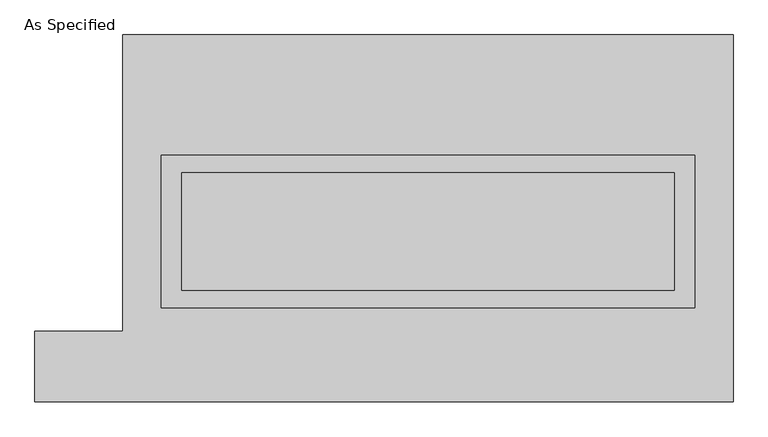
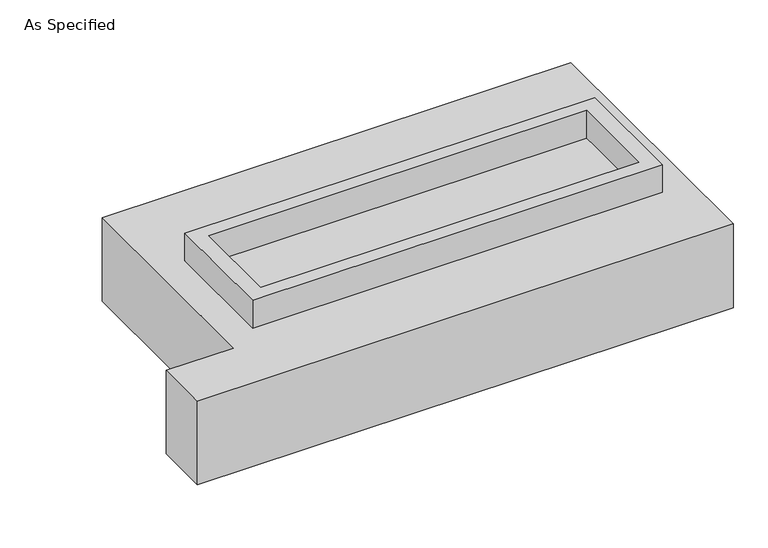
"""IFC4 building model written with IfcOpenShell, lengths in millimetres: proxy geometry, As Specified."""

import ifcopenshell
import ifcopenshell.guid

model = None  # the IFC model being written
_history = None  # IfcOwnerHistory: only IFC2X3 demands one
_inside = {}  # id of a spatial element -> (the spatial element, [elements in it])
_under = {}  # id of a project, library or spatial element -> (it, [spatial elements below it])
_declared = {}  # id of a project -> (the project, [libraries it declares])
_typed = {}  # id of a type object -> (the type object, [elements of that type])
_made_of = {}  # id of a material, layer set ... -> (it, [elements and type objects made of it])


def new_model(schema):
    """Start an empty IFC model of exactly this schema.

    Asked for "IFC4X3", IfcOpenShell would pick the latest addendum, in which some entities
    have other attributes; the version numbers below select the first issue.
    IFC2X3 requires an IfcOwnerHistory on every rooted entity: one is made here for all.
    """
    global model, _history
    if schema == "IFC4X3":
        model = ifcopenshell.file(schema_version=(4, 3, 0, 0))
    else:
        model = ifcopenshell.file(schema=schema)
    _inside.clear()
    _under.clear()
    _declared.clear()
    _typed.clear()
    _made_of.clear()
    _history = None
    if model.schema == "IFC2X3":
        org = make("IfcOrganization", Name="unknown")
        user = make(
            "IfcPersonAndOrganization",
            ThePerson=make("IfcPerson", FamilyName="unknown"),
            TheOrganization=org,
        )
        app = make(
            "IfcApplication",
            ApplicationDeveloper=org,
            Version="unknown",
            ApplicationFullName="unknown",
            ApplicationIdentifier="unknown",
        )
        _history = make(
            "IfcOwnerHistory",
            OwningUser=user,
            OwningApplication=app,
            ChangeAction="ADDED",
            CreationDate=0,
        )
    return model


def make(cls, **values):
    """One entity of the class cls with the attributes given. An attribute that is None is left unset."""
    return model.create_entity(
        cls, **{name: value for name, value in values.items() if value is not None}
    )


def rooted(cls, **values):
    """An entity with a GlobalId (a new one), such as an element, a storey or a relation."""
    return make(cls, GlobalId=ifcopenshell.guid.new(), OwnerHistory=_history, **values)


def si_unit(unit_type, name, prefix=None):
    """IfcSIUnit, for example si_unit("LENGTHUNIT", "METRE", prefix="MILLI")."""
    return make("IfcSIUnit", UnitType=unit_type, Prefix=prefix, Name=name)


def assignment(units):
    """IfcUnitAssignment: the units of a project."""
    return None if units is None else make("IfcUnitAssignment", Units=units)


def point(xyz):
    """IfcCartesianPoint."""
    return None if xyz is None else make("IfcCartesianPoint", Coordinates=xyz)


def direction(xyz):
    """IfcDirection."""
    return None if xyz is None else make("IfcDirection", DirectionRatios=xyz)


def frame(location, z_axis=None, x_axis=None):
    """IfcAxis2Placement3D, a coordinate frame: its origin and axes. An axis left out is left unset."""
    return make(
        "IfcAxis2Placement3D",
        Location=point(location),
        Axis=direction(z_axis),
        RefDirection=direction(x_axis),
    )


def origin():
    """The frame at (0, 0, 0) with its axes left unset."""
    return frame((0.0, 0.0, 0.0))


def place(relative_to, where):
    """IfcLocalPlacement: puts the frame where relative to a parent placement (None: the world)."""
    return make(
        "IfcLocalPlacement", PlacementRelTo=relative_to, RelativePlacement=where
    )


def context(
    kind, dimensions, precision=None, world=None, true_north=None, identifier=None
):
    """IfcGeometricRepresentationContext, for example the 3D "Model" context."""
    return make(
        "IfcGeometricRepresentationContext",
        ContextIdentifier=identifier,
        ContextType=kind,
        CoordinateSpaceDimension=dimensions,
        Precision=precision,
        WorldCoordinateSystem=world,
        TrueNorth=true_north,
    )


def project(units=None, contexts=None):
    """IfcProject with its units and contexts."""
    return rooted(
        "IfcProject",
        Name="project",
        RepresentationContexts=contexts,
        UnitsInContext=assignment(units),
    )


def spatial(cls, under=None, at=None, **own):
    """A site, building, storey or space (cls), placed at a placement, below another one or the project."""
    s = rooted(cls, ObjectPlacement=at, **own)
    if under is not None:
        _under.setdefault(under.id(), (under, []))[1].append(s)
    return s


def polyline(points):
    """IfcPolyline through the points."""
    return make("IfcPolyline", Points=[point(p) for p in points])


def outline(outer, holes=None, kind="AREA"):
    """IfcArbitraryClosedProfileDef: a profile drawn as a closed curve; with holes, ...WithVoids."""
    if holes is None:
        return make("IfcArbitraryClosedProfileDef", ProfileType=kind, OuterCurve=outer)
    return make(
        "IfcArbitraryProfileDefWithVoids",
        ProfileType=kind,
        OuterCurve=outer,
        InnerCurves=holes,
    )


def extrude(swept, where, along, depth):
    """IfcExtrudedAreaSolid: the profile swept, set in the frame where, extruded along a direction by depth."""
    return make(
        "IfcExtrudedAreaSolid",
        SweptArea=swept,
        Position=where,
        ExtrudedDirection=direction(along),
        Depth=depth,
    )


def shape(context_of_items, identifier, shape_type, items):
    """IfcShapeRepresentation: the items that make up one representation, for example the "Body"."""
    return make(
        "IfcShapeRepresentation",
        ContextOfItems=context_of_items,
        RepresentationIdentifier=identifier,
        RepresentationType=shape_type,
        Items=items,
    )


def source(mapping_origin, context_of_items, identifier, shape_type, items):
    """IfcRepresentationMap: a shape defined once, which mapped items show again and again."""
    return make(
        "IfcRepresentationMap",
        MappingOrigin=mapping_origin,
        MappedRepresentation=shape(context_of_items, identifier, shape_type, items),
    )


def transform(
    local_origin,
    x_axis=None,
    y_axis=None,
    z_axis=None,
    scale=None,
    scale2=None,
    scale3=None,
    uniform=True,
):
    """IfcCartesianTransformationOperator3D, or its non-uniform kind. x_axis, y_axis, z_axis: its Axis1, 2, 3."""
    if uniform:
        return make(
            "IfcCartesianTransformationOperator3D",
            Axis1=direction(x_axis),
            Axis2=direction(y_axis),
            LocalOrigin=point(local_origin),
            Scale=scale,
            Axis3=direction(z_axis),
        )
    return make(
        "IfcCartesianTransformationOperator3DnonUniform",
        Axis1=direction(x_axis),
        Axis2=direction(y_axis),
        LocalOrigin=point(local_origin),
        Scale=scale,
        Axis3=direction(z_axis),
        Scale2=scale2,
        Scale3=scale3,
    )


def mapped(mapping_source, mapping_target):
    """IfcMappedItem: shows the shape of a source again, moved by a transform."""
    return make(
        "IfcMappedItem", MappingSource=mapping_source, MappingTarget=mapping_target
    )


def made_of(thing, what):
    """Note that an element or type object is made of a material, layer set ...; save() writes the relation."""
    if what is not None:
        _made_of.setdefault(what.id(), (what, []))[1].append(thing)
    return thing


def element(
    cls,
    number,
    at=None,
    inside=None,
    cuts=None,
    type_object=None,
    material=None,
    context=None,
    identifier="Body",
    shape_type=None,
    held_by="IfcProductDefinitionShape",
    body=None,
    shapes=None,
    **own,
):
    """One element of the class cls, such as IfcWall. Its Tag is "e" and its number.

    at: its placement. inside: the storey or other place that contains it. cuts: it is an
    opening in that element (IfcRelVoidsElement). A single representation is given by context,
    identifier, shape_type and body (its items); several are given by shapes. held_by: the class
    of the entity that holds the representations. save() writes the other relations.
    """
    e = rooted(cls, Tag="e%d" % number, ObjectPlacement=at, **own)
    if body is not None:
        shapes = [shape(context, identifier, shape_type, body)]
    if shapes is not None:
        e.Representation = make(held_by, Representations=shapes)
    if inside is not None:
        _inside.setdefault(inside.id(), (inside, []))[1].append(e)
    if cuts is not None:
        rooted(
            "IfcRelVoidsElement", RelatingBuildingElement=cuts, RelatedOpeningElement=e
        )
    if type_object is not None:
        _typed.setdefault(type_object.id(), (type_object, []))[1].append(e)
    return made_of(e, material)


def aggregate(whole, parts):
    """IfcRelAggregates: a whole, such as a stair, and the parts it consists of."""
    return rooted("IfcRelAggregates", RelatingObject=whole, RelatedObjects=parts)


def save(model, path):
    """Write the relations noted so far, then the file.

    IfcRelAggregates (storeys below a building ...), IfcRelContainedInSpatialStructure (elements
    in a storey), IfcRelDefinesByType, IfcRelAssociatesMaterial and IfcRelDeclares: one each for
    every whole, place, type object, material and project.
    """
    for whole, parts in _under.values():
        aggregate(whole, parts)
    for where, things in _inside.values():
        rooted(
            "IfcRelContainedInSpatialStructure",
            RelatedElements=things,
            RelatingStructure=where,
        )
    for kind, things in _typed.values():
        rooted("IfcRelDefinesByType", RelatedObjects=things, RelatingType=kind)
    for what, things in _made_of.values():
        rooted("IfcRelAssociatesMaterial", RelatedObjects=things, RelatingMaterial=what)
    for by, libraries in _declared.values():
        rooted("IfcRelDeclares", RelatingContext=by, RelatedDefinitions=libraries)
    model.write(path)


def as_specified_fc79961c(model_context):
    return source(origin(), model_context, "Body", "SweptSolid", [
        extrude(outline(polyline([(1155.7, 273.05), (1155.7, -387.35), (-1155.7, -387.35), (-1155.7, 273.05), (1155.7, 273.05)]), holes=[polyline([(1066.8, 196.85), (-1066.8, 196.85), (-1066.8, -311.15), (1066.8, -311.15), (1066.8, 196.85)])]), frame((0.0, 0.0, -688.975), z_axis=(0.0, 0.0, 1.0), x_axis=(1.0, 0.0, 0.0)), (0.0, 0.0, 1.0), 165.1),
        extrude(outline(polyline([(1155.7, 273.05), (1155.7, -387.35), (-1155.7, -387.35), (-1155.7, 273.05), (1155.7, 273.05)]), holes=[polyline([(1066.8, 196.85), (-1066.8, 196.85), (-1066.8, -311.15), (1066.8, -311.15), (1066.8, 196.85)])]), frame((0.0, 0.0, -25.4), z_axis=(0.0, 0.0, 1.0), x_axis=(1.0, 0.0, 0.0)), (0.0, 0.0, 1.0), 165.1),
        extrude(outline(polyline([(1066.8, 196.85), (1066.8, -311.15), (-1066.8, -311.15), (-1066.8, 196.85), (1066.8, 196.85)])), frame((0.0, 0.0, -523.875), z_axis=(0.0, 0.0, 1.0), x_axis=(1.0, 0.0, 0.0)), (0.0, 0.0, 1.0), 4.9609375),
        extrude(outline(polyline([(1066.8, 196.85), (1066.8, -311.15), (-1066.8, -311.15), (-1066.8, 196.85), (1066.8, 196.85)])), frame((0.0, 0.0, -30.3609375), z_axis=(0.0, 0.0, 1.0), x_axis=(1.0, 0.0, 0.0)), (0.0, 0.0, 1.0), 4.9609375),
        extrude(outline(polyline([(-1320.8, 793.75), (1320.8, 793.75), (1320.8, -793.75), (-1701.8, -793.75), (-1701.8, -488.95), (-1320.8, -488.95), (-1320.8, 793.75)]), holes=[polyline([(-1155.7, 273.05), (-1155.7, -387.35), (1155.7, -387.35), (1155.7, 273.05), (-1155.7, 273.05)])]), frame((0.0, 0.0, -523.875), z_axis=(0.0, 0.0, 1.0), x_axis=(1.0, 0.0, 0.0)), (0.0, 0.0, 1.0), 498.475),
    ])


if __name__ == "__main__":
    model = new_model("IFC4")
    model_context = context("Model", 3, world=origin())
    ifc_project = project(units=[si_unit("LENGTHUNIT", "METRE", prefix="MILLI")], contexts=[model_context])
    site = spatial("IfcSite", under=ifc_project)
    building = spatial("IfcBuilding", under=site)
    placement = place(None, origin())
    as_specified_shape = as_specified_fc79961c(model_context)
    element("IfcBuildingElementProxy", 1, Name="As Specified", ObjectType="As Specified", at=placement, inside=building, context=model_context, shape_type="MappedRepresentation", body=[
        mapped(as_specified_shape, transform((0.0, 0.0, 0.0), x_axis=(1.0, 0.0, 0.0), y_axis=(0.0, 1.0, 0.0), z_axis=(0.0, 0.0, 1.0))),
    ])
    save(model, "model.ifc")
